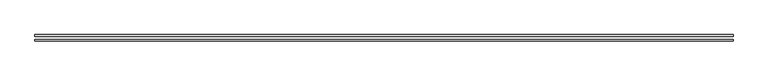
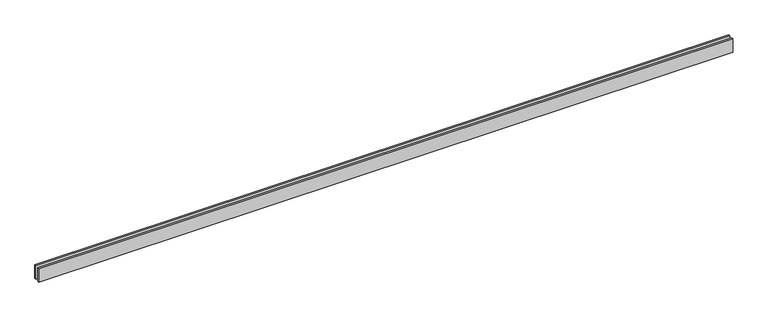
"""IFC4 building model written with IfcOpenShell, lengths in millimetres: proxy geometry."""

from ifc_helpers import new_model, si_unit, origin, origin_with_axes, place, context, project, spatial, polyline, outline, extrude, source, transform, mapped, element, save


def generic_models_3838e327(model_context):
    return source(origin(), model_context, "Body", "SweptSolid", [
        extrude(outline(polyline([(12135.0, -25.0), (12135.0, -55.0), (0.0, -55.0), (0.0, -25.0), (12135.0, -25.0)])), origin_with_axes(), (0.0, 0.0, 1.0), 250.0),
        extrude(outline(polyline([(12135.0, 55.0), (12135.0, 25.0), (0.0, 25.0), (0.0, 55.0), (12135.0, 55.0)])), origin_with_axes(), (0.0, 0.0, 1.0), 250.0),
    ])


if __name__ == "__main__":
    model = new_model("IFC4")
    model_context = context("Model", 3, world=origin())
    ifc_project = project(units=[si_unit("LENGTHUNIT", "METRE", prefix="MILLI")], contexts=[model_context])
    site = spatial("IfcSite", under=ifc_project)
    building = spatial("IfcBuilding", under=site)
    placement = place(None, origin())
    generic_models_shape = generic_models_3838e327(model_context)
    element("IfcBuildingElementProxy", 1, Name="Generic Models", at=placement, inside=building, context=model_context, shape_type="MappedRepresentation", body=[
        mapped(generic_models_shape, transform((0.0, 0.0, 0.0), x_axis=(1.0, 0.0, 0.0), y_axis=(0.0, 1.0, 0.0), z_axis=(0.0, 0.0, 1.0))),
    ])
    save(model, "model.ifc")
